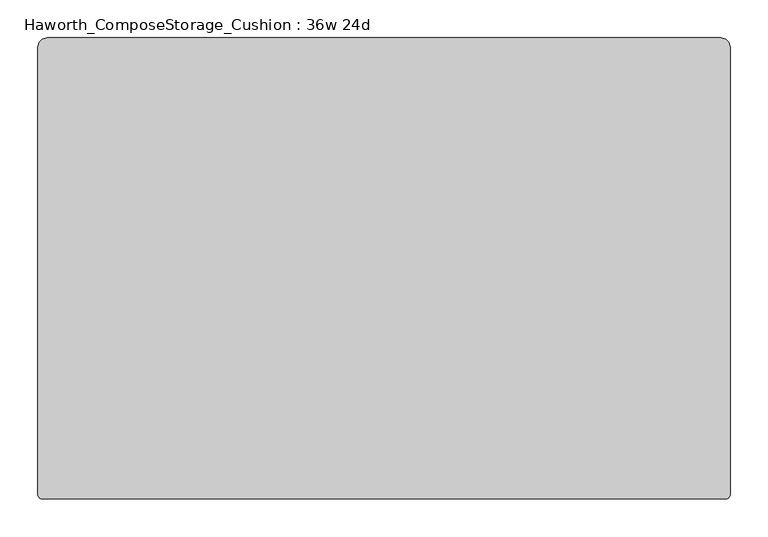
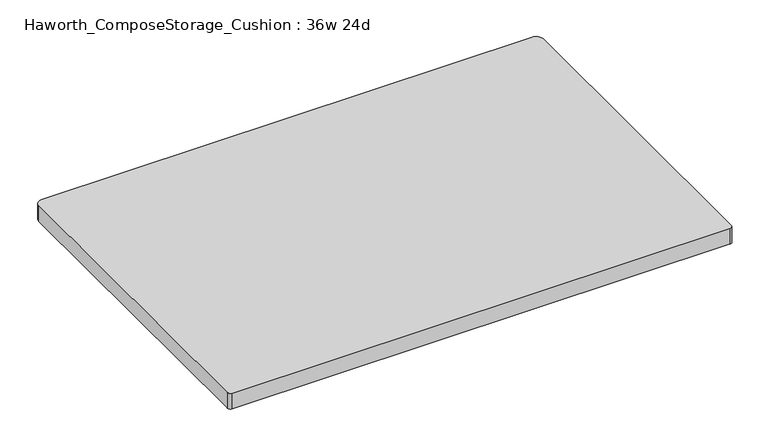
"""IFC4 building model written with IfcOpenShell, lengths in millimetres: furniture geometry, Haworth_ComposeStorage_Cushion : 36w 24d."""

from ifc_helpers import new_model, si_unit, point, frame, frame_2d, origin, place, context, project, spatial, polyline, circle_curve, trimmed, segment, composite_curve, outline, extrude, source, transform, mapped, element, save


def haworth_composestorage_cushion_36w_24d_f64b364e(model_context):
    return source(origin(), model_context, "Body", "SweptSolid", [
        extrude(outline(composite_curve([segment(trimmed(circle_curve(frame_2d((444.5, 292.1)), 12.7), [point((444.5, 304.8))], [point((457.2, 292.1))], False, "CARTESIAN"), True, "CONTINUOUS"), segment(polyline([(457.2, 292.1), (457.2, -298.8870224)]), True, "CONTINUOUS"), segment(trimmed(circle_curve(frame_2d((451.2870224, -298.8870224)), 5.9129776), [point((457.2, -298.8870224))], [point((451.2870224, -304.8))], False, "CARTESIAN"), True, "CONTINUOUS"), segment(polyline([(451.2870224, -304.8), (-451.2870224, -304.8)]), True, "CONTINUOUS"), segment(trimmed(circle_curve(frame_2d((-451.2870224, -298.8870224)), 5.9129776), [point((-451.2870224, -304.8))], [point((-457.2, -298.8870224))], False, "CARTESIAN"), True, "CONTINUOUS"), segment(polyline([(-457.2, -298.8870224), (-457.2, 292.1)]), True, "CONTINUOUS"), segment(trimmed(circle_curve(frame_2d((-444.5, 292.1)), 12.7), [point((-457.2, 292.1))], [point((-444.5, 304.8))], False, "CARTESIAN"), True, "CONTINUOUS"), segment(polyline([(-444.5, 304.8), (444.5, 304.8)]), True, "CONTINUOUS")], self_intersect=False)), frame((0.0, 0.0, 609.6), z_axis=(0.0, 0.0, 1.0), x_axis=(1.0, 0.0, 0.0)), (0.0, 0.0, 1.0), 30.1625),
    ])


if __name__ == "__main__":
    model = new_model("IFC4")
    model_context = context("Model", 3, world=origin())
    ifc_project = project(units=[si_unit("LENGTHUNIT", "METRE", prefix="MILLI")], contexts=[model_context])
    site = spatial("IfcSite", under=ifc_project)
    building = spatial("IfcBuilding", under=site)
    placement = place(None, origin())
    haworth_composestorage_cushion_36w_24d_shape = haworth_composestorage_cushion_36w_24d_f64b364e(model_context)
    element("IfcFurniture", 1, ObjectType="Haworth_ComposeStorage_Cushion : 36w 24d", at=placement, inside=building, context=model_context, shape_type="MappedRepresentation", body=[
        mapped(haworth_composestorage_cushion_36w_24d_shape, transform((0.0, 0.0, 0.0), x_axis=(1.0, 0.0, 0.0), y_axis=(0.0, 1.0, 0.0), z_axis=(0.0, 0.0, 1.0))),
    ])
    save(model, "model.ifc")
